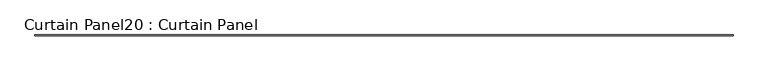
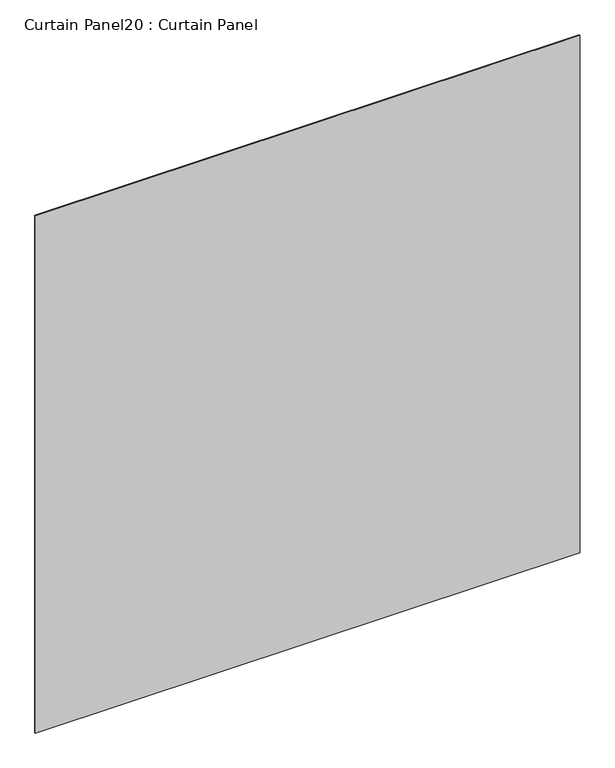
"""IFC4 building model written with IfcOpenShell, lengths in millimetres: plate geometry, Curtain Panel20 : Curtain Panel."""

from ifc_helpers import new_model, si_unit, frame, origin, place, context, project, spatial, polyline, outline, extrude, source, transform, mapped, element, save


def curtain_panel20_curtain_panel_cbb43bda(model_context):
    return source(origin(), model_context, "Body", "SweptSolid", [
        extrude(outline(polyline([(696095.0579196, 2970.655008), (690094.3079196, 2970.655008), (690094.3079196, 2977.005008), (696095.0579196, 2977.005008), (696095.0579196, 2970.655008)])), frame((0.0, 0.0, 1125.7522197), z_axis=(0.0, 0.0, 1.0), x_axis=(1.0, 0.0, 0.0)), (0.0, 0.0, 1.0), 6029.1588657),
    ])


if __name__ == "__main__":
    model = new_model("IFC4")
    model_context = context("Model", 3, world=origin())
    ifc_project = project(units=[si_unit("LENGTHUNIT", "METRE", prefix="MILLI")], contexts=[model_context])
    site = spatial("IfcSite", under=ifc_project)
    building = spatial("IfcBuilding", under=site)
    placement = place(None, origin())
    curtain_panel20_curtain_panel_shape = curtain_panel20_curtain_panel_cbb43bda(model_context)
    element("IfcPlate", 1, ObjectType="Curtain Panel20 : Curtain Panel", at=placement, inside=building, context=model_context, shape_type="MappedRepresentation", body=[
        mapped(curtain_panel20_curtain_panel_shape, transform((0.0, 0.0, 0.0), x_axis=(1.0, 0.0, 0.0), y_axis=(0.0, 1.0, 0.0), z_axis=(0.0, 0.0, 1.0))),
    ])
    save(model, "model.ifc")
